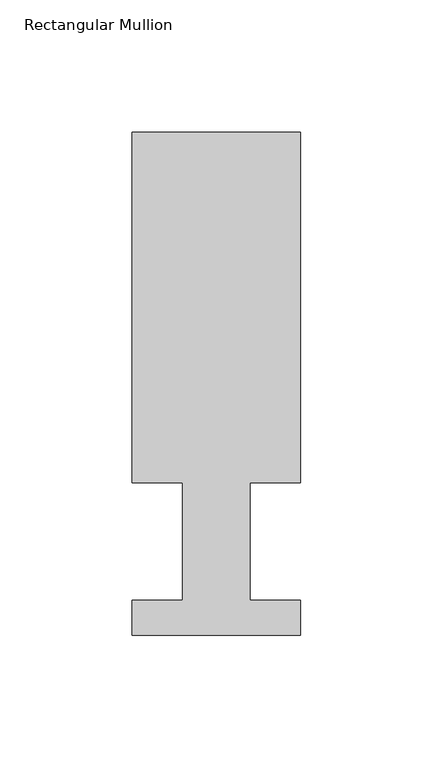
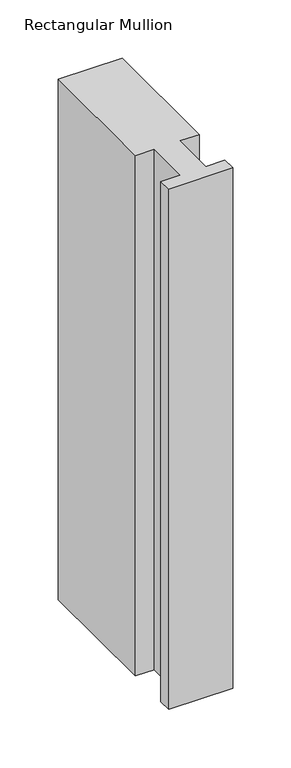
"""IFC4 building model written with IfcOpenShell, lengths in millimetres: member geometry, Rectangular Mullion."""

from ifc_helpers import new_model, si_unit, frame, origin, place, context, project, spatial, polyline, outline, extrude, source, transform, mapped, element, save


def rectangular_mullion_546c085f(model_context):
    return source(origin(), model_context, "Body", "SweptSolid", [
        extrude(outline(polyline([(-63.5, 189.8022938), (0.0, 189.8022938), (0.0, 57.6460937), (-19.0373, 57.6460937), (-19.0373, 13.1960938), (0.0, 13.1960938), (0.0, 0.0134938), (-63.5, 0.0134938), (-63.5, 13.1960938), (-44.45, 13.1960938), (-44.45, 57.6460937), (-63.5, 57.6460937), (-63.5, 189.8022938)])), frame((0.0, 0.0, -546.1), z_axis=(0.0, 0.0, 1.0), x_axis=(1.0, 0.0, 0.0)), (0.0, 0.0, 1.0), 546.1),
    ])


if __name__ == "__main__":
    model = new_model("IFC4")
    model_context = context("Model", 3, world=origin())
    ifc_project = project(units=[si_unit("LENGTHUNIT", "METRE", prefix="MILLI")], contexts=[model_context])
    site = spatial("IfcSite", under=ifc_project)
    building = spatial("IfcBuilding", under=site)
    placement = place(None, origin())
    rectangular_mullion_shape = rectangular_mullion_546c085f(model_context)
    element("IfcMember", 1, ObjectType="Rectangular Mullion", at=placement, inside=building, context=model_context, shape_type="MappedRepresentation", body=[
        mapped(rectangular_mullion_shape, transform((0.0, 0.0, 0.0), x_axis=(1.0, 0.0, 0.0), y_axis=(0.0, 1.0, 0.0), z_axis=(0.0, 0.0, 1.0))),
    ])
    save(model, "model.ifc")
